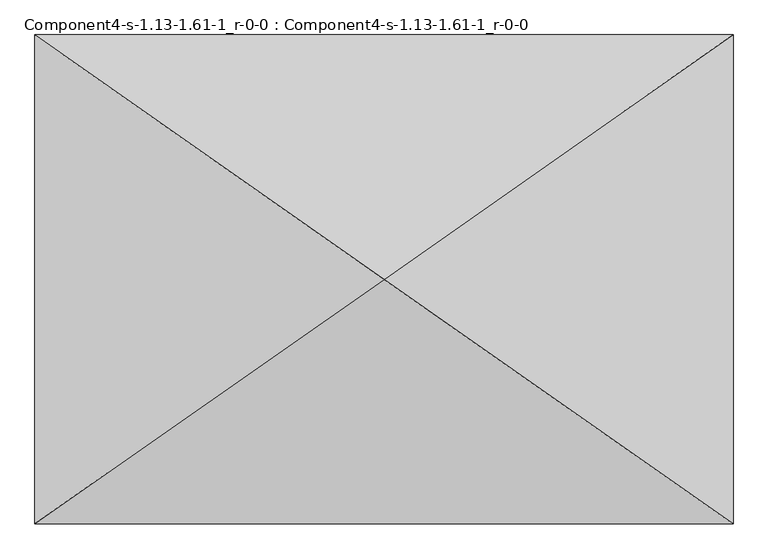
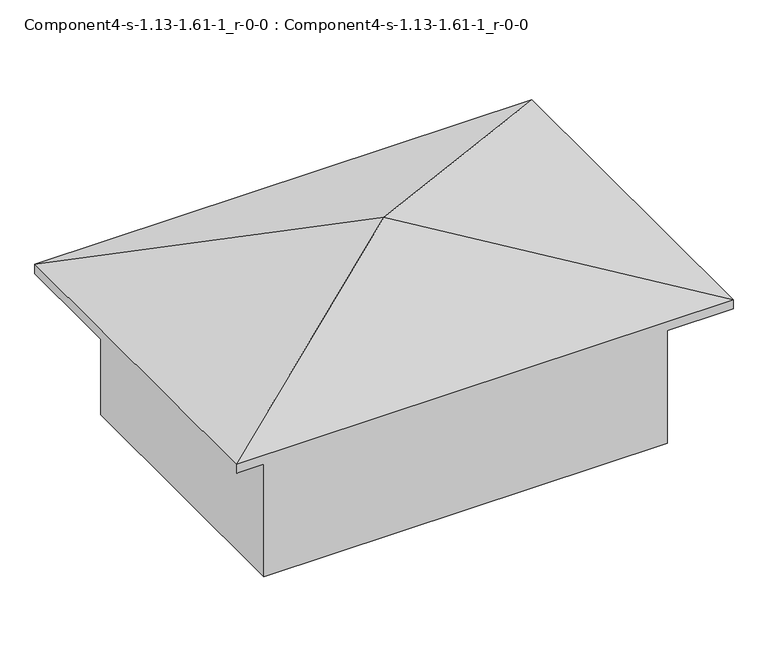
"""IFC4 building model written with IfcOpenShell, lengths in millimetres: geographic element geometry, Component4-s-1.13-1.61-1_r-0-0 : Component4-s-1.13-1.61-1_r-0-0."""

from ifc_helpers import new_model, si_unit, origin, place, context, project, spatial, triangles, source, transform, mapped, element, save


def component4_s_1_13_1_61_1_r_0_0_component4_s_1_13_1_61_1_r_0_b5f32043(model_context):
    return source(origin(), model_context, "Body", "Tessellation", [
        triangles([(5225.3781418, 3661.7474213, 4705.35), (0.0, 7323.4948425, 3263.8999031), (0.0, 0.0, 3263.8999031), (10450.7562836, 7323.4948425, 3263.8999031), (10450.7562836, 0.0, 3263.8999031), (10450.7562836, 7323.4948425, 3060.7000969), (0.0, 0.0, 3060.7000969), (0.0, 7323.4948425, 3060.7000969), (10450.7562836, 0.0, 3060.7000969), (9467.7581451, 6634.6467728, 0.0), (982.9982838, 688.8479971, 0.0), (982.9982838, 6634.6467728, 0.0), (9467.7581451, 688.8479971, 0.0), (9467.7581451, 688.8479971, 3263.8999031), (982.9982838, 688.8479971, 3263.8999031), (9467.7581451, 6634.6467728, 3263.8999031), (982.9982838, 6634.6467728, 3263.8999031)], [[1, 2, 3], [4, 2, 1], [5, 1, 3], [4, 1, 5], [6, 7, 8], [7, 6, 9], [2, 7, 3], [7, 2, 8], [2, 6, 8], [6, 2, 4], [6, 5, 9], [5, 6, 4], [5, 7, 9], [7, 5, 3], [10, 11, 12], [11, 10, 13], [14, 11, 13], [11, 14, 15], [10, 14, 13], [14, 10, 16], [17, 10, 12], [10, 17, 16], [17, 11, 15], [11, 17, 12], [14, 17, 15], [17, 14, 16]]),
    ])


if __name__ == "__main__":
    model = new_model("IFC4")
    model_context = context("Model", 3, world=origin())
    ifc_project = project(units=[si_unit("LENGTHUNIT", "METRE", prefix="MILLI")], contexts=[model_context])
    site = spatial("IfcSite", under=ifc_project)
    building = spatial("IfcBuilding", under=site)
    placement = place(None, origin())
    component4_s_1_13_1_61_1_r_0_0_component4_s_1_13_1_61_1_r_0_shape = component4_s_1_13_1_61_1_r_0_0_component4_s_1_13_1_61_1_r_0_b5f32043(model_context)
    element("IfcGeographicElement", 1, ObjectType="Component4-s-1.13-1.61-1_r-0-0 : Component4-s-1.13-1.61-1_r-0-0", at=placement, inside=building, context=model_context, shape_type="MappedRepresentation", body=[
        mapped(component4_s_1_13_1_61_1_r_0_0_component4_s_1_13_1_61_1_r_0_shape, transform((0.0, 0.0, 0.0), x_axis=(1.0, 0.0, 0.0), y_axis=(0.0, 1.0, 0.0), z_axis=(0.0, 0.0, 1.0))),
    ])
    save(model, "model.ifc")
